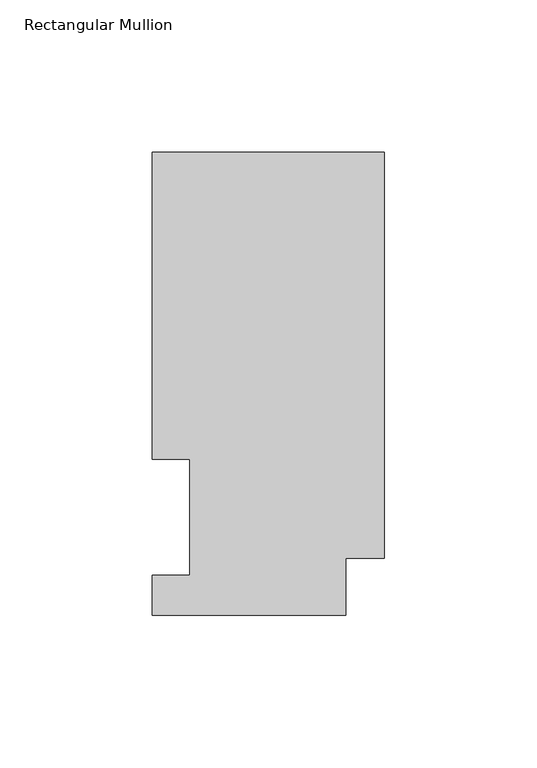
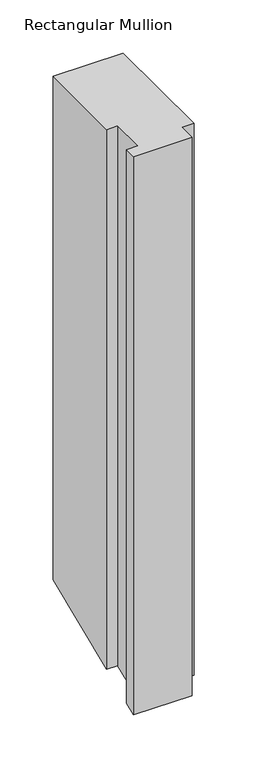
"""IFC4 building model written with IfcOpenShell, lengths in millimetres: member geometry, Rectangular Mullion."""

from ifc_helpers import new_model, si_unit, origin, place, context, project, spatial, faceted_brep, source, transform, mapped, element, save


def rectangular_mullion_546073d3(model_context):
    return source(origin(), model_context, "Body", "Brep", [
        faceted_brep([(-76.2, 151.9816937, 0.0), (-76.2, 51.2960938, 0.0), (-63.8581605, 51.2960938, 0.0), (-63.8581605, 13.1960938, 0.0), (-76.2, 13.1960938, 0.0), (-76.2, 0.0134937, 0.0), (-12.7, 0.0134937, 0.0), (-12.7, 18.7332937, 0.0), (0.0, 18.7332937, 0.0), (0.0, 151.9816937, 0.0), (-76.2, 151.9816937, -578.3971212), (-76.2, 51.2960938, -620.1024623), (-63.8581605, 51.2960938, -620.1024623), (-63.8581605, 13.1960937, -635.883999), (-76.2, 13.1960938, -635.883999), (-76.2, 0.0134937, -641.3444107), (-12.7, 0.0134937, -641.3444107), (-12.7, 18.7332937, -633.5904157), (0.0, 18.7332937, -633.5904157), (0.0, 151.9816937, -578.3971212)], [[[0, 1, 2, 3, 4, 5, 6, 7, 8, 9]], [[1, 0, 10, 11]], [[2, 1, 11, 12]], [[3, 2, 12, 13]], [[4, 3, 13, 14]], [[5, 4, 14, 15]], [[6, 5, 15, 16]], [[7, 6, 16, 17]], [[8, 7, 17, 18]], [[9, 8, 18, 19]], [[0, 9, 19, 10]], [[10, 19, 18, 17, 16, 15, 14, 13, 12, 11]]]),
    ])


if __name__ == "__main__":
    model = new_model("IFC4")
    model_context = context("Model", 3, world=origin())
    ifc_project = project(units=[si_unit("LENGTHUNIT", "METRE", prefix="MILLI")], contexts=[model_context])
    site = spatial("IfcSite", under=ifc_project)
    building = spatial("IfcBuilding", under=site)
    placement = place(None, origin())
    rectangular_mullion_shape = rectangular_mullion_546073d3(model_context)
    element("IfcMember", 1, ObjectType="Rectangular Mullion", at=placement, inside=building, context=model_context, shape_type="MappedRepresentation", body=[
        mapped(rectangular_mullion_shape, transform((0.0, 0.0, 0.0), x_axis=(1.0, 0.0, 0.0), y_axis=(0.0, 1.0, 0.0), z_axis=(0.0, 0.0, 1.0))),
    ])
    save(model, "model.ifc")
